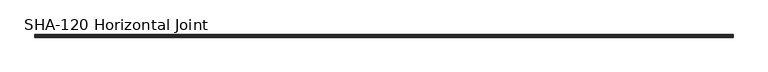
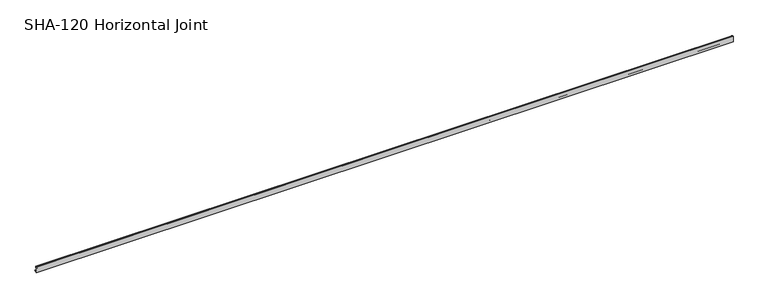
"""IFC4 building model written with IfcOpenShell, lengths in millimetres: proxy geometry, SHA-120 Horizontal Joint."""

import ifcopenshell
import ifcopenshell.guid

model = None  # the IFC model being written
_history = None  # IfcOwnerHistory: only IFC2X3 demands one
_inside = {}  # id of a spatial element -> (the spatial element, [elements in it])
_under = {}  # id of a project, library or spatial element -> (it, [spatial elements below it])
_declared = {}  # id of a project -> (the project, [libraries it declares])
_typed = {}  # id of a type object -> (the type object, [elements of that type])
_made_of = {}  # id of a material, layer set ... -> (it, [elements and type objects made of it])


def new_model(schema):
    """Start an empty IFC model of exactly this schema.

    Asked for "IFC4X3", IfcOpenShell would pick the latest addendum, in which some entities
    have other attributes; the version numbers below select the first issue.
    IFC2X3 requires an IfcOwnerHistory on every rooted entity: one is made here for all.
    """
    global model, _history
    if schema == "IFC4X3":
        model = ifcopenshell.file(schema_version=(4, 3, 0, 0))
    else:
        model = ifcopenshell.file(schema=schema)
    _inside.clear()
    _under.clear()
    _declared.clear()
    _typed.clear()
    _made_of.clear()
    _history = None
    if model.schema == "IFC2X3":
        org = make("IfcOrganization", Name="unknown")
        user = make(
            "IfcPersonAndOrganization",
            ThePerson=make("IfcPerson", FamilyName="unknown"),
            TheOrganization=org,
        )
        app = make(
            "IfcApplication",
            ApplicationDeveloper=org,
            Version="unknown",
            ApplicationFullName="unknown",
            ApplicationIdentifier="unknown",
        )
        _history = make(
            "IfcOwnerHistory",
            OwningUser=user,
            OwningApplication=app,
            ChangeAction="ADDED",
            CreationDate=0,
        )
    return model


def make(cls, **values):
    """One entity of the class cls with the attributes given. An attribute that is None is left unset."""
    return model.create_entity(
        cls, **{name: value for name, value in values.items() if value is not None}
    )


def rooted(cls, **values):
    """An entity with a GlobalId (a new one), such as an element, a storey or a relation."""
    return make(cls, GlobalId=ifcopenshell.guid.new(), OwnerHistory=_history, **values)


def si_unit(unit_type, name, prefix=None):
    """IfcSIUnit, for example si_unit("LENGTHUNIT", "METRE", prefix="MILLI")."""
    return make("IfcSIUnit", UnitType=unit_type, Prefix=prefix, Name=name)


def assignment(units):
    """IfcUnitAssignment: the units of a project."""
    return None if units is None else make("IfcUnitAssignment", Units=units)


def point(xyz):
    """IfcCartesianPoint."""
    return None if xyz is None else make("IfcCartesianPoint", Coordinates=xyz)


def direction(xyz):
    """IfcDirection."""
    return None if xyz is None else make("IfcDirection", DirectionRatios=xyz)


def frame(location, z_axis=None, x_axis=None):
    """IfcAxis2Placement3D, a coordinate frame: its origin and axes. An axis left out is left unset."""
    return make(
        "IfcAxis2Placement3D",
        Location=point(location),
        Axis=direction(z_axis),
        RefDirection=direction(x_axis),
    )


def frame_2d(location, x_axis=None):
    """IfcAxis2Placement2D, a coordinate frame in the plane: its origin and x axis."""
    return make(
        "IfcAxis2Placement2D", Location=point(location), RefDirection=direction(x_axis)
    )


def origin():
    """The frame at (0, 0, 0) with its axes left unset."""
    return frame((0.0, 0.0, 0.0))


def place(relative_to, where):
    """IfcLocalPlacement: puts the frame where relative to a parent placement (None: the world)."""
    return make(
        "IfcLocalPlacement", PlacementRelTo=relative_to, RelativePlacement=where
    )


def context(
    kind, dimensions, precision=None, world=None, true_north=None, identifier=None
):
    """IfcGeometricRepresentationContext, for example the 3D "Model" context."""
    return make(
        "IfcGeometricRepresentationContext",
        ContextIdentifier=identifier,
        ContextType=kind,
        CoordinateSpaceDimension=dimensions,
        Precision=precision,
        WorldCoordinateSystem=world,
        TrueNorth=true_north,
    )


def project(units=None, contexts=None):
    """IfcProject with its units and contexts."""
    return rooted(
        "IfcProject",
        Name="project",
        RepresentationContexts=contexts,
        UnitsInContext=assignment(units),
    )


def spatial(cls, under=None, at=None, **own):
    """A site, building, storey or space (cls), placed at a placement, below another one or the project."""
    s = rooted(cls, ObjectPlacement=at, **own)
    if under is not None:
        _under.setdefault(under.id(), (under, []))[1].append(s)
    return s


def polyline(points):
    """IfcPolyline through the points."""
    return make("IfcPolyline", Points=[point(p) for p in points])


def circle_curve(where, radius):
    """IfcCircle in the frame where."""
    return make("IfcCircle", Position=where, Radius=radius)


def trimmed(basis, trim1, trim2, sense, master):
    """IfcTrimmedCurve: the piece of a basis curve between two trims."""
    return make(
        "IfcTrimmedCurve",
        BasisCurve=basis,
        Trim1=trim1,
        Trim2=trim2,
        SenseAgreement=sense,
        MasterRepresentation=master,
    )


def segment(curve, same_sense, transition):
    """IfcCompositeCurveSegment."""
    return make(
        "IfcCompositeCurveSegment",
        Transition=transition,
        SameSense=same_sense,
        ParentCurve=curve,
    )


def composite_curve(segments, self_intersect=None):
    """IfcCompositeCurve: segments joined end to end."""
    return make("IfcCompositeCurve", Segments=segments, SelfIntersect=self_intersect)


def outline(outer, holes=None, kind="AREA"):
    """IfcArbitraryClosedProfileDef: a profile drawn as a closed curve; with holes, ...WithVoids."""
    if holes is None:
        return make("IfcArbitraryClosedProfileDef", ProfileType=kind, OuterCurve=outer)
    return make(
        "IfcArbitraryProfileDefWithVoids",
        ProfileType=kind,
        OuterCurve=outer,
        InnerCurves=holes,
    )


def extrude(swept, where, along, depth):
    """IfcExtrudedAreaSolid: the profile swept, set in the frame where, extruded along a direction by depth."""
    return make(
        "IfcExtrudedAreaSolid",
        SweptArea=swept,
        Position=where,
        ExtrudedDirection=direction(along),
        Depth=depth,
    )


def shape(context_of_items, identifier, shape_type, items):
    """IfcShapeRepresentation: the items that make up one representation, for example the "Body"."""
    return make(
        "IfcShapeRepresentation",
        ContextOfItems=context_of_items,
        RepresentationIdentifier=identifier,
        RepresentationType=shape_type,
        Items=items,
    )


def source(mapping_origin, context_of_items, identifier, shape_type, items):
    """IfcRepresentationMap: a shape defined once, which mapped items show again and again."""
    return make(
        "IfcRepresentationMap",
        MappingOrigin=mapping_origin,
        MappedRepresentation=shape(context_of_items, identifier, shape_type, items),
    )


def transform(
    local_origin,
    x_axis=None,
    y_axis=None,
    z_axis=None,
    scale=None,
    scale2=None,
    scale3=None,
    uniform=True,
):
    """IfcCartesianTransformationOperator3D, or its non-uniform kind. x_axis, y_axis, z_axis: its Axis1, 2, 3."""
    if uniform:
        return make(
            "IfcCartesianTransformationOperator3D",
            Axis1=direction(x_axis),
            Axis2=direction(y_axis),
            LocalOrigin=point(local_origin),
            Scale=scale,
            Axis3=direction(z_axis),
        )
    return make(
        "IfcCartesianTransformationOperator3DnonUniform",
        Axis1=direction(x_axis),
        Axis2=direction(y_axis),
        LocalOrigin=point(local_origin),
        Scale=scale,
        Axis3=direction(z_axis),
        Scale2=scale2,
        Scale3=scale3,
    )


def mapped(mapping_source, mapping_target):
    """IfcMappedItem: shows the shape of a source again, moved by a transform."""
    return make(
        "IfcMappedItem", MappingSource=mapping_source, MappingTarget=mapping_target
    )


def made_of(thing, what):
    """Note that an element or type object is made of a material, layer set ...; save() writes the relation."""
    if what is not None:
        _made_of.setdefault(what.id(), (what, []))[1].append(thing)
    return thing


def element(
    cls,
    number,
    at=None,
    inside=None,
    cuts=None,
    type_object=None,
    material=None,
    context=None,
    identifier="Body",
    shape_type=None,
    held_by="IfcProductDefinitionShape",
    body=None,
    shapes=None,
    **own,
):
    """One element of the class cls, such as IfcWall. Its Tag is "e" and its number.

    at: its placement. inside: the storey or other place that contains it. cuts: it is an
    opening in that element (IfcRelVoidsElement). A single representation is given by context,
    identifier, shape_type and body (its items); several are given by shapes. held_by: the class
    of the entity that holds the representations. save() writes the other relations.
    """
    e = rooted(cls, Tag="e%d" % number, ObjectPlacement=at, **own)
    if body is not None:
        shapes = [shape(context, identifier, shape_type, body)]
    if shapes is not None:
        e.Representation = make(held_by, Representations=shapes)
    if inside is not None:
        _inside.setdefault(inside.id(), (inside, []))[1].append(e)
    if cuts is not None:
        rooted(
            "IfcRelVoidsElement", RelatingBuildingElement=cuts, RelatedOpeningElement=e
        )
    if type_object is not None:
        _typed.setdefault(type_object.id(), (type_object, []))[1].append(e)
    return made_of(e, material)


def aggregate(whole, parts):
    """IfcRelAggregates: a whole, such as a stair, and the parts it consists of."""
    return rooted("IfcRelAggregates", RelatingObject=whole, RelatedObjects=parts)


def save(model, path):
    """Write the relations noted so far, then the file.

    IfcRelAggregates (storeys below a building ...), IfcRelContainedInSpatialStructure (elements
    in a storey), IfcRelDefinesByType, IfcRelAssociatesMaterial and IfcRelDeclares: one each for
    every whole, place, type object, material and project.
    """
    for whole, parts in _under.values():
        aggregate(whole, parts)
    for where, things in _inside.values():
        rooted(
            "IfcRelContainedInSpatialStructure",
            RelatedElements=things,
            RelatingStructure=where,
        )
    for kind, things in _typed.values():
        rooted("IfcRelDefinesByType", RelatedObjects=things, RelatingType=kind)
    for what, things in _made_of.values():
        rooted("IfcRelAssociatesMaterial", RelatedObjects=things, RelatingMaterial=what)
    for by, libraries in _declared.values():
        rooted("IfcRelDeclares", RelatingContext=by, RelatedDefinitions=libraries)
    model.write(path)


def sha_120_horizontal_joint_aa1b9c54(model_context):
    return source(origin(), model_context, "Body", "SweptSolid", [
        extrude(outline(composite_curve([segment(trimmed(circle_curve(frame_2d((-11.756868, 20.808135)), 1.6167075), [point((-12.8855416, 21.9656491))], [point((-10.5641724, 21.8995653))], False, "CARTESIAN"), True, "CONTINUOUS"), segment(polyline([(-10.5641724, 21.8995653), (-10.5641724, 9.8147622), (-17.2443724, 9.8147622)]), True, "CONTINUOUS"), segment(trimmed(circle_curve(frame_2d((-17.2443724, 8.5447622)), 1.27), [point((-17.2443724, 9.8147622))], [point((-18.5143724, 8.5447622))], True, "CARTESIAN"), True, "CONTINUOUS"), segment(polyline([(-18.5143724, 8.5447622), (-18.5143724, -4.3266878), (-10.5664, -4.3266878), (-10.5664, -14.5120878), (-7.3533, -14.5120878)]), True, "CONTINUOUS"), segment(trimmed(circle_curve(frame_2d((-5.7785, -14.5120878)), 1.5748), [point((-7.3533, -14.5120878))], [point((-4.2037, -14.5120878))], False, "CARTESIAN"), True, "CONTINUOUS"), segment(polyline([(-4.2037, -14.5120878), (0.0, -14.5120878), (0.0, -16.0868881), (-4.2037, -16.0868881)]), True, "CONTINUOUS"), segment(trimmed(circle_curve(frame_2d((-5.7785, -16.0868881)), 1.5748), [point((-4.2037, -16.0868881))], [point((-7.3533, -16.0868881))], False, "CARTESIAN"), True, "CONTINUOUS"), segment(polyline([(-7.3533, -16.0868881), (-10.5664, -16.0868881), (-10.5664, -17.6616881), (-12.8070246, -17.6616881), (-14.7028353, -6.590154), (-16.9116736, -6.590154), (-16.9116736, -22.4241878), (-20.0891724, -22.4241878), (-20.0891724, 22.4241878), (-16.9116736, 22.4241878), (-16.9116736, 11.3895622), (-14.6965154, 11.3895622), (-12.8855416, 21.9656491)]), True, "CONTINUOUS")], self_intersect=False)), frame((0.0, 0.0, 0.0), z_axis=(1.0, 0.0, 0.0), x_axis=(0.0, 1.0, 0.0)), (0.0, 0.0, 1.0), 5354.8359375),
    ])


if __name__ == "__main__":
    model = new_model("IFC4")
    model_context = context("Model", 3, world=origin())
    ifc_project = project(units=[si_unit("LENGTHUNIT", "METRE", prefix="MILLI")], contexts=[model_context])
    site = spatial("IfcSite", under=ifc_project)
    building = spatial("IfcBuilding", under=site)
    placement = place(None, origin())
    sha_120_horizontal_joint_shape = sha_120_horizontal_joint_aa1b9c54(model_context)
    element("IfcBuildingElementProxy", 1, Name="SHA-120 Horizontal Joint", ObjectType="SHA-120 Horizontal Joint", at=placement, inside=building, context=model_context, shape_type="MappedRepresentation", body=[
        mapped(sha_120_horizontal_joint_shape, transform((0.0, 0.0, 0.0), x_axis=(1.0, 0.0, 0.0), y_axis=(0.0, 1.0, 0.0), z_axis=(0.0, 0.0, 1.0))),
    ])
    save(model, "model.ifc")
